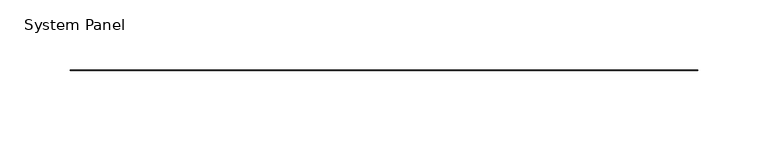
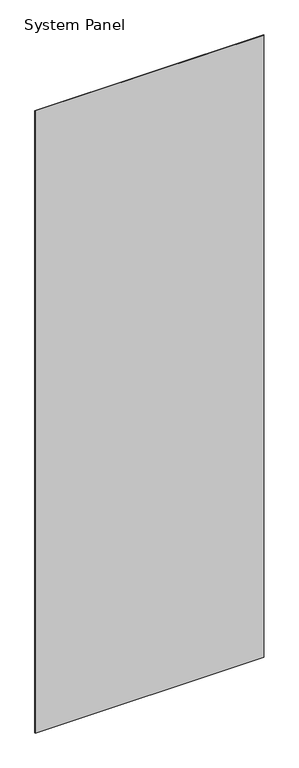
"""IFC4 building model written with IfcOpenShell, lengths in millimetres: plate geometry, System Panel."""

from ifc_helpers import new_model, si_unit, origin, origin_with_axes, place, context, project, spatial, polyline, outline, extrude, source, transform, mapped, element, save


def system_panel_67ccc422(model_context):
    return source(origin(), model_context, "Body", "SweptSolid", [
        extrude(outline(polyline([(223.5200002, -0.2480469), (-223.5200002, -0.2480469), (-223.5200002, 0.2480469), (223.5200002, 0.2480469), (223.5200002, -0.2480469)])), origin_with_axes(), (0.0, 0.0, 1.0), 1285.875),
    ])


if __name__ == "__main__":
    model = new_model("IFC4")
    model_context = context("Model", 3, world=origin())
    ifc_project = project(units=[si_unit("LENGTHUNIT", "METRE", prefix="MILLI")], contexts=[model_context])
    site = spatial("IfcSite", under=ifc_project)
    building = spatial("IfcBuilding", under=site)
    placement = place(None, origin())
    system_panel_shape = system_panel_67ccc422(model_context)
    element("IfcPlate", 1, ObjectType="System Panel", at=placement, inside=building, context=model_context, shape_type="MappedRepresentation", body=[
        mapped(system_panel_shape, transform((0.0, 0.0, 0.0), x_axis=(1.0, 0.0, 0.0), y_axis=(0.0, 1.0, 0.0), z_axis=(0.0, 0.0, 1.0))),
    ])
    save(model, "model.ifc")
